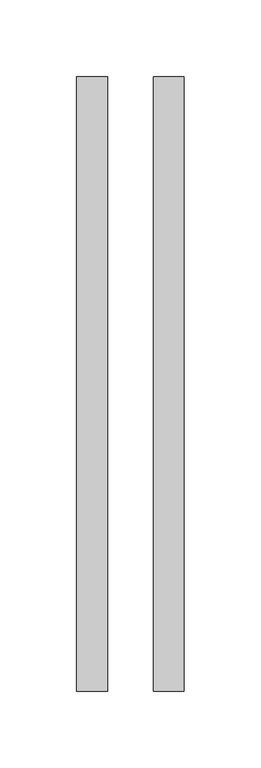
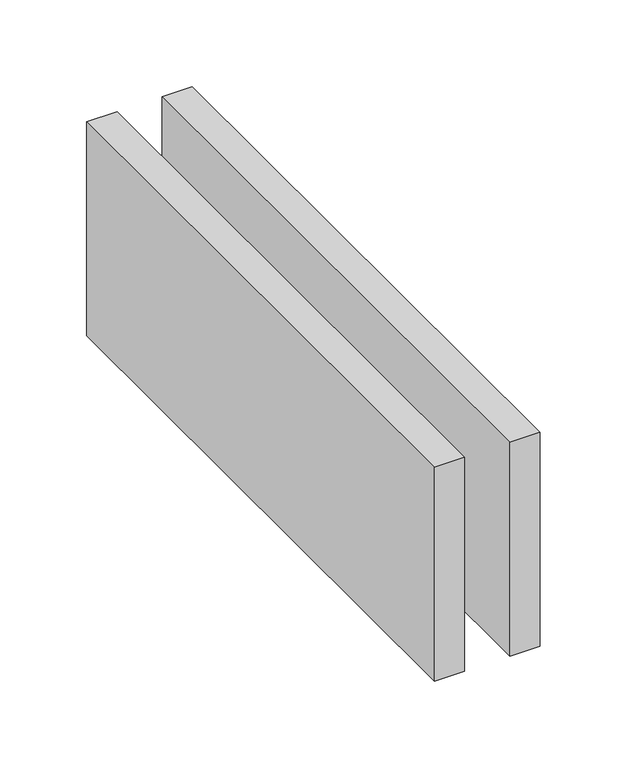
"""IFC4 building model written with IfcOpenShell, lengths in millimetres: proxy geometry."""

from ifc_helpers import new_model, si_unit, origin, origin_with_axes, place, context, project, spatial, polyline, outline, extrude, source, transform, mapped, element, save


def generic_models_3ea0953a(model_context):
    return source(origin(), model_context, "Body", "SweptSolid", [
        extrude(outline(polyline([(15.0, -400.0), (15.0, 0.0), (35.0, 0.0), (35.0, -400.0), (15.0, -400.0)])), origin_with_axes(), (0.0, 0.0, 1.0), 150.0),
        extrude(outline(polyline([(-35.0, -400.0), (-35.0, 0.0), (-15.0, 0.0), (-15.0, -400.0), (-35.0, -400.0)])), origin_with_axes(), (0.0, 0.0, 1.0), 150.0),
    ])


if __name__ == "__main__":
    model = new_model("IFC4")
    model_context = context("Model", 3, world=origin())
    ifc_project = project(units=[si_unit("LENGTHUNIT", "METRE", prefix="MILLI")], contexts=[model_context])
    site = spatial("IfcSite", under=ifc_project)
    building = spatial("IfcBuilding", under=site)
    placement = place(None, origin())
    generic_models_shape = generic_models_3ea0953a(model_context)
    element("IfcBuildingElementProxy", 1, Name="Generic Models", at=placement, inside=building, context=model_context, shape_type="MappedRepresentation", body=[
        mapped(generic_models_shape, transform((0.0, 0.0, 0.0), x_axis=(1.0, 0.0, 0.0), y_axis=(0.0, 1.0, 0.0), z_axis=(0.0, 0.0, 1.0))),
    ])
    save(model, "model.ifc")
